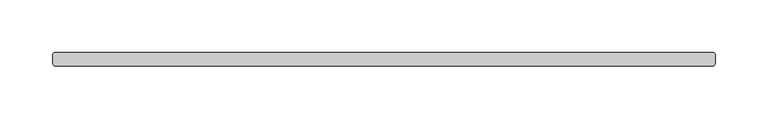
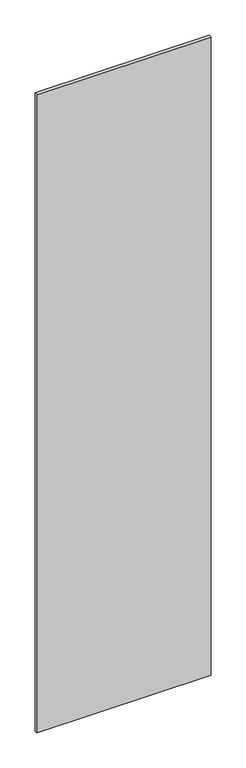
"""IFC4 building model written with IfcOpenShell, lengths in millimetres: plate geometry."""

from ifc_helpers import new_model, si_unit, origin, origin_with_axes, place, context, project, spatial, polyline, outline, extrude, source, transform, mapped, element, save


def plate_71e52a85(model_context):
    return source(origin(), model_context, "Body", "SweptSolid", [
        extrude(outline(polyline([(312.340625, 6.35), (313.928125, 4.7625), (313.928125, -4.7625), (312.340625, -6.35), (-312.340625, -6.35), (-313.928125, -4.7625), (-313.928125, 4.7625), (-312.340625, 6.35), (312.340625, 6.35)])), origin_with_axes(), (0.0, 0.0, 1.0), 2427.1914267),
    ])


if __name__ == "__main__":
    model = new_model("IFC4")
    model_context = context("Model", 3, world=origin())
    ifc_project = project(units=[si_unit("LENGTHUNIT", "METRE", prefix="MILLI")], contexts=[model_context])
    site = spatial("IfcSite", under=ifc_project)
    building = spatial("IfcBuilding", under=site)
    placement = place(None, origin())
    plate_shape = plate_71e52a85(model_context)
    element("IfcPlate", 1, at=placement, inside=building, context=model_context, shape_type="MappedRepresentation", body=[
        mapped(plate_shape, transform((0.0, 0.0, 0.0), x_axis=(1.0, 0.0, 0.0), y_axis=(0.0, 1.0, 0.0), z_axis=(0.0, 0.0, 1.0))),
    ])
    save(model, "model.ifc")
